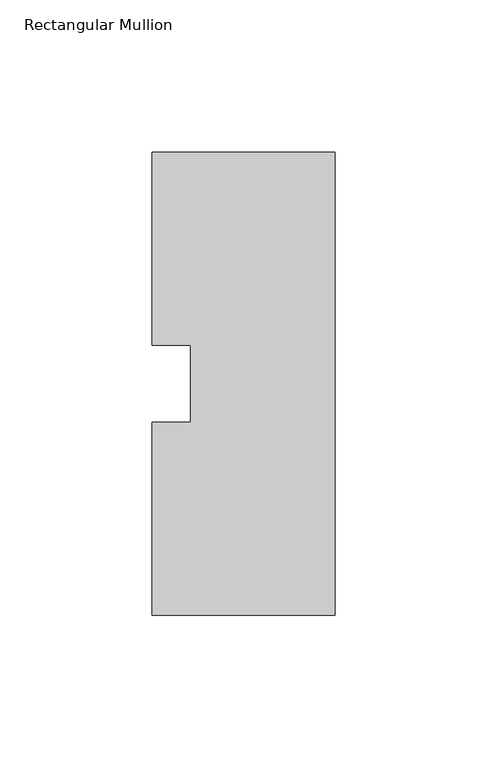
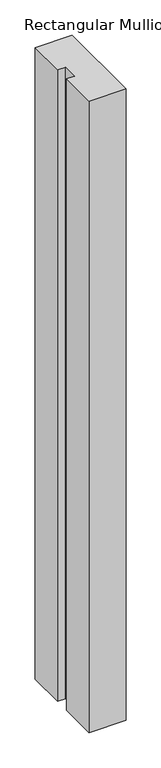
"""IFC4 building model written with IfcOpenShell, lengths in millimetres: member geometry, Rectangular Mullion."""

from ifc_helpers import new_model, si_unit, frame, origin, place, context, project, spatial, polyline, outline, extrude, source, transform, mapped, element, save


def rectangular_mullion_7662b5cf(model_context):
    return source(origin(), model_context, "Body", "SweptSolid", [
        extrude(outline(polyline([(-60.325, 76.2), (0.0, 76.2), (0.0, -76.2), (-60.325, -76.2), (-60.325, -12.7), (-47.625, -12.7), (-47.625, 12.7), (-60.325, 12.7), (-60.325, 76.2)])), frame((0.0, 0.0, -1091.0405973), z_axis=(0.0, 0.0, 1.0), x_axis=(1.0, 0.0, 0.0)), (0.0, 0.0, 1.0), 1091.0405973),
    ])


if __name__ == "__main__":
    model = new_model("IFC4")
    model_context = context("Model", 3, world=origin())
    ifc_project = project(units=[si_unit("LENGTHUNIT", "METRE", prefix="MILLI")], contexts=[model_context])
    site = spatial("IfcSite", under=ifc_project)
    building = spatial("IfcBuilding", under=site)
    placement = place(None, origin())
    rectangular_mullion_shape = rectangular_mullion_7662b5cf(model_context)
    element("IfcMember", 1, ObjectType="Rectangular Mullion", at=placement, inside=building, context=model_context, shape_type="MappedRepresentation", body=[
        mapped(rectangular_mullion_shape, transform((0.0, 0.0, 0.0), x_axis=(1.0, 0.0, 0.0), y_axis=(0.0, 1.0, 0.0), z_axis=(0.0, 0.0, 1.0))),
    ])
    save(model, "model.ifc")
